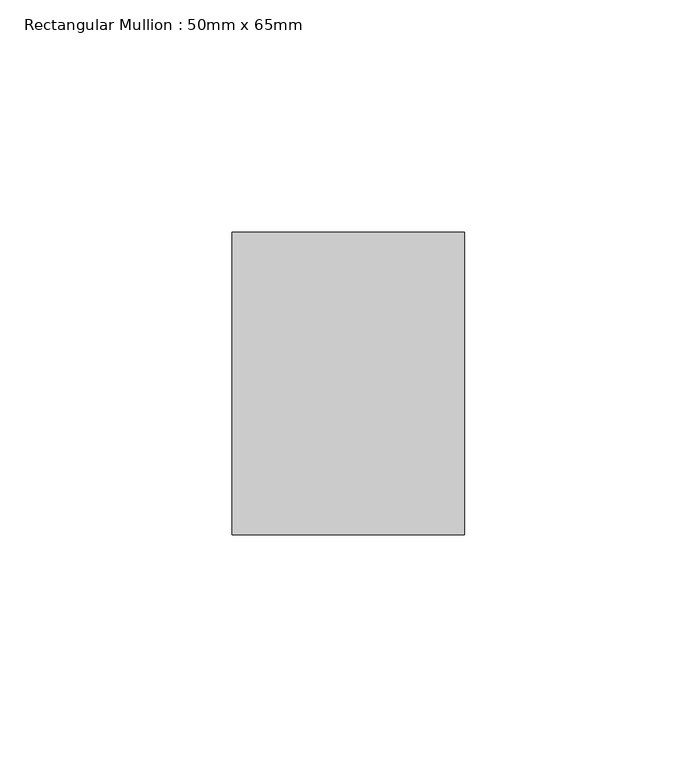
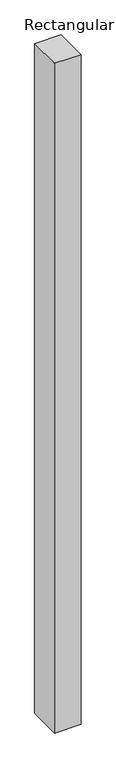
"""IFC4 building model written with IfcOpenShell, lengths in millimetres: member geometry, Rectangular Mullion : 50mm x 65mm."""

import ifcopenshell
import ifcopenshell.guid

model = None  # the IFC model being written
_history = None  # IfcOwnerHistory: only IFC2X3 demands one
_inside = {}  # id of a spatial element -> (the spatial element, [elements in it])
_under = {}  # id of a project, library or spatial element -> (it, [spatial elements below it])
_declared = {}  # id of a project -> (the project, [libraries it declares])
_typed = {}  # id of a type object -> (the type object, [elements of that type])
_made_of = {}  # id of a material, layer set ... -> (it, [elements and type objects made of it])


def new_model(schema):
    """Start an empty IFC model of exactly this schema.

    Asked for "IFC4X3", IfcOpenShell would pick the latest addendum, in which some entities
    have other attributes; the version numbers below select the first issue.
    IFC2X3 requires an IfcOwnerHistory on every rooted entity: one is made here for all.
    """
    global model, _history
    if schema == "IFC4X3":
        model = ifcopenshell.file(schema_version=(4, 3, 0, 0))
    else:
        model = ifcopenshell.file(schema=schema)
    _inside.clear()
    _under.clear()
    _declared.clear()
    _typed.clear()
    _made_of.clear()
    _history = None
    if model.schema == "IFC2X3":
        org = make("IfcOrganization", Name="unknown")
        user = make(
            "IfcPersonAndOrganization",
            ThePerson=make("IfcPerson", FamilyName="unknown"),
            TheOrganization=org,
        )
        app = make(
            "IfcApplication",
            ApplicationDeveloper=org,
            Version="unknown",
            ApplicationFullName="unknown",
            ApplicationIdentifier="unknown",
        )
        _history = make(
            "IfcOwnerHistory",
            OwningUser=user,
            OwningApplication=app,
            ChangeAction="ADDED",
            CreationDate=0,
        )
    return model


def make(cls, **values):
    """One entity of the class cls with the attributes given. An attribute that is None is left unset."""
    return model.create_entity(
        cls, **{name: value for name, value in values.items() if value is not None}
    )


def rooted(cls, **values):
    """An entity with a GlobalId (a new one), such as an element, a storey or a relation."""
    return make(cls, GlobalId=ifcopenshell.guid.new(), OwnerHistory=_history, **values)


def si_unit(unit_type, name, prefix=None):
    """IfcSIUnit, for example si_unit("LENGTHUNIT", "METRE", prefix="MILLI")."""
    return make("IfcSIUnit", UnitType=unit_type, Prefix=prefix, Name=name)


def assignment(units):
    """IfcUnitAssignment: the units of a project."""
    return None if units is None else make("IfcUnitAssignment", Units=units)


def point(xyz):
    """IfcCartesianPoint."""
    return None if xyz is None else make("IfcCartesianPoint", Coordinates=xyz)


def direction(xyz):
    """IfcDirection."""
    return None if xyz is None else make("IfcDirection", DirectionRatios=xyz)


def frame(location, z_axis=None, x_axis=None):
    """IfcAxis2Placement3D, a coordinate frame: its origin and axes. An axis left out is left unset."""
    return make(
        "IfcAxis2Placement3D",
        Location=point(location),
        Axis=direction(z_axis),
        RefDirection=direction(x_axis),
    )


def origin():
    """The frame at (0, 0, 0) with its axes left unset."""
    return frame((0.0, 0.0, 0.0))


def place(relative_to, where):
    """IfcLocalPlacement: puts the frame where relative to a parent placement (None: the world)."""
    return make(
        "IfcLocalPlacement", PlacementRelTo=relative_to, RelativePlacement=where
    )


def context(
    kind, dimensions, precision=None, world=None, true_north=None, identifier=None
):
    """IfcGeometricRepresentationContext, for example the 3D "Model" context."""
    return make(
        "IfcGeometricRepresentationContext",
        ContextIdentifier=identifier,
        ContextType=kind,
        CoordinateSpaceDimension=dimensions,
        Precision=precision,
        WorldCoordinateSystem=world,
        TrueNorth=true_north,
    )


def project(units=None, contexts=None):
    """IfcProject with its units and contexts."""
    return rooted(
        "IfcProject",
        Name="project",
        RepresentationContexts=contexts,
        UnitsInContext=assignment(units),
    )


def spatial(cls, under=None, at=None, **own):
    """A site, building, storey or space (cls), placed at a placement, below another one or the project."""
    s = rooted(cls, ObjectPlacement=at, **own)
    if under is not None:
        _under.setdefault(under.id(), (under, []))[1].append(s)
    return s


def polyline(points):
    """IfcPolyline through the points."""
    return make("IfcPolyline", Points=[point(p) for p in points])


def outline(outer, holes=None, kind="AREA"):
    """IfcArbitraryClosedProfileDef: a profile drawn as a closed curve; with holes, ...WithVoids."""
    if holes is None:
        return make("IfcArbitraryClosedProfileDef", ProfileType=kind, OuterCurve=outer)
    return make(
        "IfcArbitraryProfileDefWithVoids",
        ProfileType=kind,
        OuterCurve=outer,
        InnerCurves=holes,
    )


def extrude(swept, where, along, depth):
    """IfcExtrudedAreaSolid: the profile swept, set in the frame where, extruded along a direction by depth."""
    return make(
        "IfcExtrudedAreaSolid",
        SweptArea=swept,
        Position=where,
        ExtrudedDirection=direction(along),
        Depth=depth,
    )


def shape(context_of_items, identifier, shape_type, items):
    """IfcShapeRepresentation: the items that make up one representation, for example the "Body"."""
    return make(
        "IfcShapeRepresentation",
        ContextOfItems=context_of_items,
        RepresentationIdentifier=identifier,
        RepresentationType=shape_type,
        Items=items,
    )


def source(mapping_origin, context_of_items, identifier, shape_type, items):
    """IfcRepresentationMap: a shape defined once, which mapped items show again and again."""
    return make(
        "IfcRepresentationMap",
        MappingOrigin=mapping_origin,
        MappedRepresentation=shape(context_of_items, identifier, shape_type, items),
    )


def transform(
    local_origin,
    x_axis=None,
    y_axis=None,
    z_axis=None,
    scale=None,
    scale2=None,
    scale3=None,
    uniform=True,
):
    """IfcCartesianTransformationOperator3D, or its non-uniform kind. x_axis, y_axis, z_axis: its Axis1, 2, 3."""
    if uniform:
        return make(
            "IfcCartesianTransformationOperator3D",
            Axis1=direction(x_axis),
            Axis2=direction(y_axis),
            LocalOrigin=point(local_origin),
            Scale=scale,
            Axis3=direction(z_axis),
        )
    return make(
        "IfcCartesianTransformationOperator3DnonUniform",
        Axis1=direction(x_axis),
        Axis2=direction(y_axis),
        LocalOrigin=point(local_origin),
        Scale=scale,
        Axis3=direction(z_axis),
        Scale2=scale2,
        Scale3=scale3,
    )


def mapped(mapping_source, mapping_target):
    """IfcMappedItem: shows the shape of a source again, moved by a transform."""
    return make(
        "IfcMappedItem", MappingSource=mapping_source, MappingTarget=mapping_target
    )


def made_of(thing, what):
    """Note that an element or type object is made of a material, layer set ...; save() writes the relation."""
    if what is not None:
        _made_of.setdefault(what.id(), (what, []))[1].append(thing)
    return thing


def element(
    cls,
    number,
    at=None,
    inside=None,
    cuts=None,
    type_object=None,
    material=None,
    context=None,
    identifier="Body",
    shape_type=None,
    held_by="IfcProductDefinitionShape",
    body=None,
    shapes=None,
    **own,
):
    """One element of the class cls, such as IfcWall. Its Tag is "e" and its number.

    at: its placement. inside: the storey or other place that contains it. cuts: it is an
    opening in that element (IfcRelVoidsElement). A single representation is given by context,
    identifier, shape_type and body (its items); several are given by shapes. held_by: the class
    of the entity that holds the representations. save() writes the other relations.
    """
    e = rooted(cls, Tag="e%d" % number, ObjectPlacement=at, **own)
    if body is not None:
        shapes = [shape(context, identifier, shape_type, body)]
    if shapes is not None:
        e.Representation = make(held_by, Representations=shapes)
    if inside is not None:
        _inside.setdefault(inside.id(), (inside, []))[1].append(e)
    if cuts is not None:
        rooted(
            "IfcRelVoidsElement", RelatingBuildingElement=cuts, RelatedOpeningElement=e
        )
    if type_object is not None:
        _typed.setdefault(type_object.id(), (type_object, []))[1].append(e)
    return made_of(e, material)


def aggregate(whole, parts):
    """IfcRelAggregates: a whole, such as a stair, and the parts it consists of."""
    return rooted("IfcRelAggregates", RelatingObject=whole, RelatedObjects=parts)


def save(model, path):
    """Write the relations noted so far, then the file.

    IfcRelAggregates (storeys below a building ...), IfcRelContainedInSpatialStructure (elements
    in a storey), IfcRelDefinesByType, IfcRelAssociatesMaterial and IfcRelDeclares: one each for
    every whole, place, type object, material and project.
    """
    for whole, parts in _under.values():
        aggregate(whole, parts)
    for where, things in _inside.values():
        rooted(
            "IfcRelContainedInSpatialStructure",
            RelatedElements=things,
            RelatingStructure=where,
        )
    for kind, things in _typed.values():
        rooted("IfcRelDefinesByType", RelatedObjects=things, RelatingType=kind)
    for what, things in _made_of.values():
        rooted("IfcRelAssociatesMaterial", RelatedObjects=things, RelatingMaterial=what)
    for by, libraries in _declared.values():
        rooted("IfcRelDeclares", RelatingContext=by, RelatedDefinitions=libraries)
    model.write(path)


def rectangular_mullion_50mm_x_65mm_8f276789(model_context):
    return source(origin(), model_context, "Body", "SweptSolid", [
        extrude(outline(polyline([(25.0, 32.5), (25.0, -32.5), (-25.0, -32.5), (-25.0, 32.5), (25.0, 32.5)])), frame((0.0, 0.0, -1337.4789823), z_axis=(0.0, 0.0, 1.0), x_axis=(1.0, 0.0, 0.0)), (0.0, 0.0, 1.0), 1337.4789823),
    ])


if __name__ == "__main__":
    model = new_model("IFC4")
    model_context = context("Model", 3, world=origin())
    ifc_project = project(units=[si_unit("LENGTHUNIT", "METRE", prefix="MILLI")], contexts=[model_context])
    site = spatial("IfcSite", under=ifc_project)
    building = spatial("IfcBuilding", under=site)
    placement = place(None, origin())
    rectangular_mullion_50mm_x_65mm_shape = rectangular_mullion_50mm_x_65mm_8f276789(model_context)
    element("IfcMember", 1, ObjectType="Rectangular Mullion : 50mm x 65mm", at=placement, inside=building, context=model_context, shape_type="MappedRepresentation", body=[
        mapped(rectangular_mullion_50mm_x_65mm_shape, transform((0.0, 0.0, 0.0), x_axis=(1.0, 0.0, 0.0), y_axis=(0.0, 1.0, 0.0), z_axis=(0.0, 0.0, 1.0))),
    ])
    save(model, "model.ifc")
